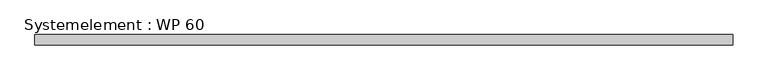
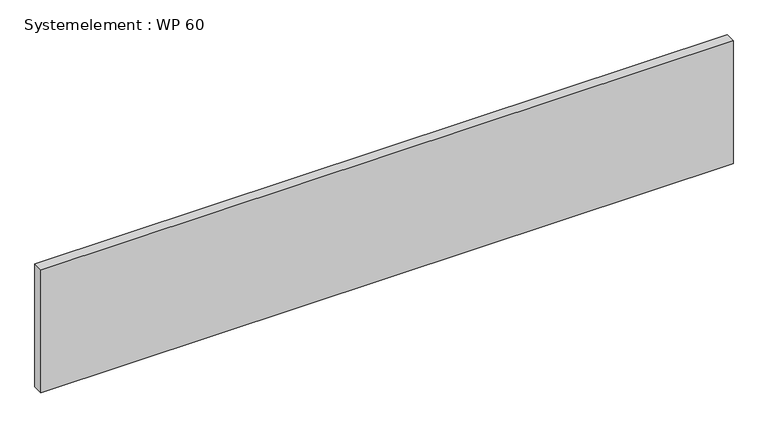
"""IFC4 building model written with IfcOpenShell, lengths in millimetres: plate geometry, Systemelement : WP 60."""

from ifc_helpers import new_model, si_unit, origin, origin_with_axes, place, context, project, spatial, polyline, outline, extrude, source, transform, mapped, element, save


def systemelement_wp_60_daa24fa6(model_context):
    return source(origin(), model_context, "Body", "SweptSolid", [
        extrude(outline(polyline([(2000.0, -60.0), (-2000.0, -60.0), (-2000.0, 0.0), (2000.0, 0.0), (2000.0, -60.0)])), origin_with_axes(), (0.0, 0.0, 1.0), 751.6147161),
    ])


if __name__ == "__main__":
    model = new_model("IFC4")
    model_context = context("Model", 3, world=origin())
    ifc_project = project(units=[si_unit("LENGTHUNIT", "METRE", prefix="MILLI")], contexts=[model_context])
    site = spatial("IfcSite", under=ifc_project)
    building = spatial("IfcBuilding", under=site)
    placement = place(None, origin())
    systemelement_wp_60_shape = systemelement_wp_60_daa24fa6(model_context)
    element("IfcPlate", 1, ObjectType="Systemelement : WP 60", at=placement, inside=building, context=model_context, shape_type="MappedRepresentation", body=[
        mapped(systemelement_wp_60_shape, transform((0.0, 0.0, 0.0), x_axis=(1.0, 0.0, 0.0), y_axis=(0.0, 1.0, 0.0), z_axis=(0.0, 0.0, 1.0))),
    ])
    save(model, "model.ifc")
